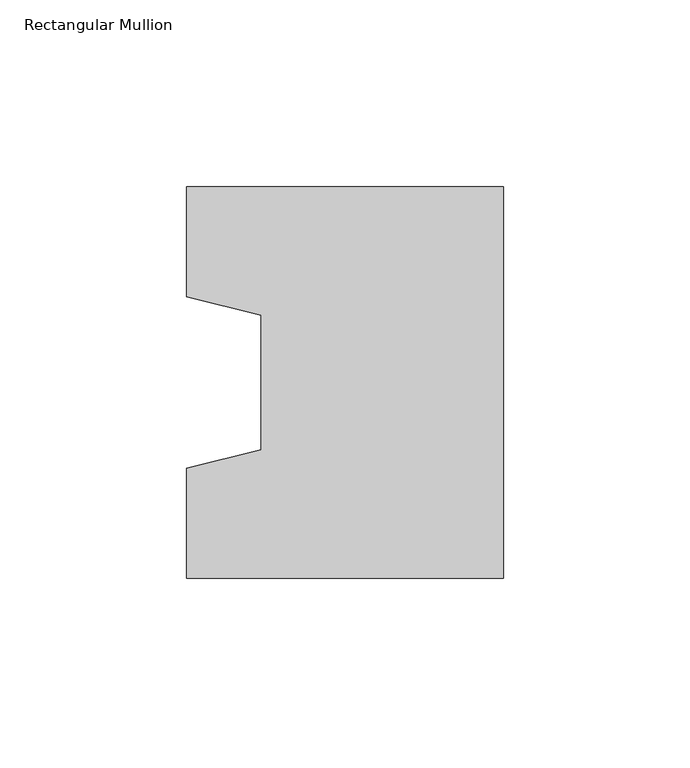
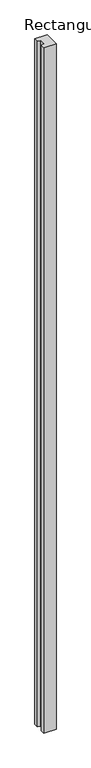
"""IFC4 building model written with IfcOpenShell, lengths in millimetres: column geometry, Rectangular Mullion."""

from ifc_helpers import new_model, si_unit, frame, origin, place, context, project, spatial, polyline, outline, extrude, source, transform, mapped, element, save


def rectangular_mullion_342d25f1(model_context):
    return source(origin(), model_context, "Body", "SweptSolid", [
        extrude(outline(polyline([(-85.0, -52.5), (-85.0, -23.0), (-65.0, -18.0), (-65.0, 18.0), (-85.0, 23.0), (-85.0, 52.5), (0.0, 52.5), (0.0, -52.5), (-85.0, -52.5)])), frame((0.0, 0.0, -5000.0), z_axis=(0.0, 0.0, 1.0), x_axis=(1.0, 0.0, 0.0)), (0.0, 0.0, 1.0), 5000.0),
    ])


if __name__ == "__main__":
    model = new_model("IFC4")
    model_context = context("Model", 3, world=origin())
    ifc_project = project(units=[si_unit("LENGTHUNIT", "METRE", prefix="MILLI")], contexts=[model_context])
    site = spatial("IfcSite", under=ifc_project)
    building = spatial("IfcBuilding", under=site)
    placement = place(None, origin())
    rectangular_mullion_shape = rectangular_mullion_342d25f1(model_context)
    element("IfcColumn", 1, ObjectType="Rectangular Mullion", at=placement, inside=building, context=model_context, shape_type="MappedRepresentation", body=[
        mapped(rectangular_mullion_shape, transform((0.0, 0.0, 0.0), x_axis=(1.0, 0.0, 0.0), y_axis=(0.0, 1.0, 0.0), z_axis=(0.0, 0.0, 1.0))),
    ])
    save(model, "model.ifc")
